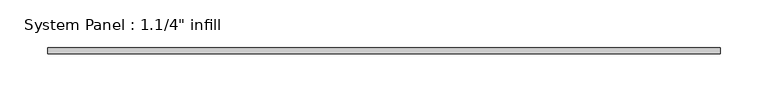
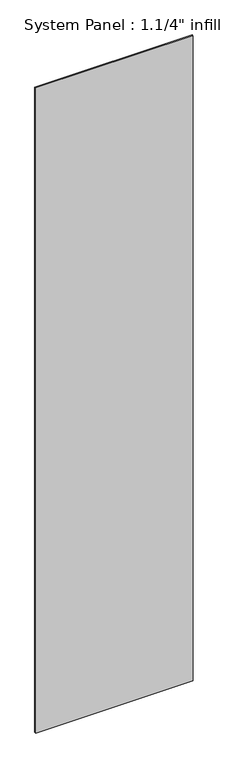
"""IFC4 building model written with IfcOpenShell, lengths in millimetres: plate geometry."""

from ifc_helpers import new_model, si_unit, origin, origin_with_axes, place, context, project, spatial, polyline, outline, extrude, source, transform, mapped, element, save


def plate_0c99599d(model_context):
    return source(origin(), model_context, "Body", "SweptSolid", [
        extrude(outline(polyline([(352.425, -6.35), (-352.425, -6.35), (-352.425, 0.0), (352.425, 0.0), (352.425, -6.35)])), origin_with_axes(), (0.0, 0.0, 1.0), 3048.0),
    ])


if __name__ == "__main__":
    model = new_model("IFC4")
    model_context = context("Model", 3, world=origin())
    ifc_project = project(units=[si_unit("LENGTHUNIT", "METRE", prefix="MILLI")], contexts=[model_context])
    site = spatial("IfcSite", under=ifc_project)
    building = spatial("IfcBuilding", under=site)
    placement = place(None, origin())
    plate_shape = plate_0c99599d(model_context)
    element("IfcPlate", 1, ObjectType="System Panel : 1.1/4\" infill", at=placement, inside=building, context=model_context, shape_type="MappedRepresentation", body=[
        mapped(plate_shape, transform((0.0, 0.0, 0.0), x_axis=(1.0, 0.0, 0.0), y_axis=(0.0, 1.0, 0.0), z_axis=(0.0, 0.0, 1.0))),
    ])
    save(model, "model.ifc")
